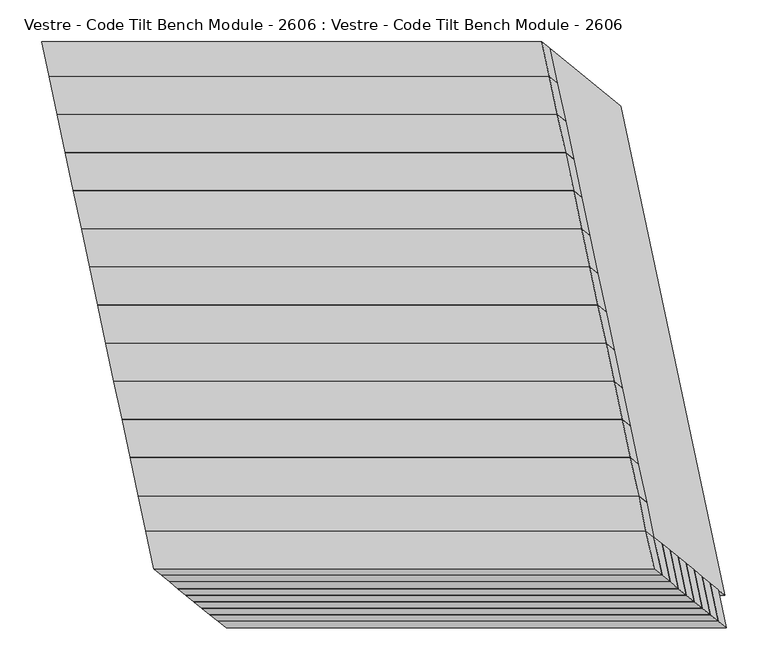
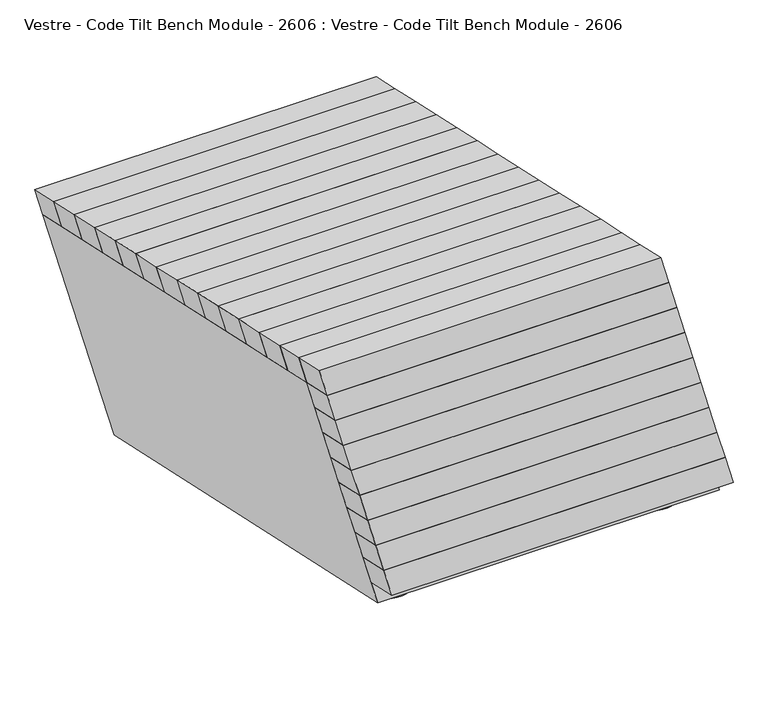
"""IFC4 building model written with IfcOpenShell, lengths in millimetres: furniture geometry, Vestre - Code Tilt Bench Module - 2606 : Vestre - Code Tilt Bench Module - 2606."""

from ifc_helpers import new_model, si_unit, point, frame, frame_2d, origin, origin_with_axes, place, context, project, spatial, circle_curve, trimmed, segment, composite_curve, outline, extrude, faceted_brep, source, transform, mapped, element, save
from ifc_brep_helpers import plane_surface, cylinder_surface, advanced_brep


def vestre_code_tilt_bench_module_2606_vestre_code_tilt_bench_63395cef(model_context):
    return source(origin(), model_context, "Body", "SolidModel", [
        faceted_brep([(-245.4752808, -324.9363487, 104.3431028), (354.5247192, -324.9363487, 104.3431028), (344.7676887, -279.0331292, 104.3431028), (-255.2323113, -279.0331292, 104.3431028), (-235.8338443, -332.8110633, 59.2759155), (-245.5908748, -286.9078438, 59.2759155), (354.4091252, -286.9078438, 59.2759155), (364.1661557, -332.8110633, 59.2759155)], [[[0, 1, 2, 3]], [[4, 5, 6, 7]], [[4, 7, 1, 0]], [[7, 6, 2, 1]], [[6, 5, 3, 2]], [[5, 4, 0, 3]]]),
        faceted_brep([(-255.1167174, -317.0616341, 149.4102901), (344.8832826, -317.0616341, 149.4102901), (335.1262521, -271.1584146, 149.4102901), (-264.8737479, -271.1584146, 149.4102901), (-245.4752808, -324.9363487, 104.3431028), (-255.2323113, -279.0331292, 104.3431028), (344.7676887, -279.0331292, 104.3431028), (354.5247192, -324.9363487, 104.3431028)], [[[0, 1, 2, 3]], [[4, 5, 6, 7]], [[4, 7, 1, 0]], [[7, 6, 2, 1]], [[6, 5, 3, 2]], [[5, 4, 0, 3]]]),
        faceted_brep([(-264.7371007, -309.1869195, 194.4774774), (335.2628993, -309.1869195, 194.4774774), (325.5058687, -263.2836999, 194.4774774), (-274.4941313, -263.2836999, 194.4774774), (-255.0956642, -317.0616341, 149.4102901), (-264.8526947, -271.1584146, 149.4102901), (335.1473053, -271.1584146, 149.4102901), (344.9043358, -317.0616341, 149.4102901)], [[[0, 1, 2, 3]], [[4, 5, 6, 7]], [[4, 7, 1, 0]], [[7, 6, 2, 1]], [[6, 5, 3, 2]], [[5, 4, 0, 3]]]),
        faceted_brep([(-274.3574841, -301.3122048, 239.5446646), (325.6425159, -301.3122048, 239.5446646), (315.8854854, -255.4089853, 239.5446646), (-284.1145146, -255.4089853, 239.5446646), (-264.7160475, -309.1869195, 194.4774774), (-274.473078, -263.2836999, 194.4774774), (325.526922, -263.2836999, 194.4774774), (335.2839525, -309.1869195, 194.4774774)], [[[0, 1, 2, 3]], [[4, 5, 6, 7]], [[4, 7, 1, 0]], [[7, 6, 2, 1]], [[6, 5, 3, 2]], [[5, 4, 0, 3]]]),
        faceted_brep([(-283.9778674, -293.4374902, 284.6118519), (316.0221326, -293.4374902, 284.6118519), (306.2651021, -247.5342707, 284.6118519), (-293.7348979, -247.5342707, 284.6118519), (-274.3364308, -301.3122048, 239.5446646), (-284.0934613, -255.4089853, 239.5446646), (315.9065387, -255.4089853, 239.5446646), (325.6635692, -301.3122048, 239.5446646)], [[[0, 1, 2, 3]], [[4, 5, 6, 7]], [[4, 7, 1, 0]], [[7, 6, 2, 1]], [[6, 5, 3, 2]], [[5, 4, 0, 3]]]),
        faceted_brep([(-293.5982507, -285.5627756, 329.6790392), (306.4017493, -285.5627756, 329.6790392), (296.6447188, -239.6595561, 329.6790392), (-303.3552812, -239.6595561, 329.6790392), (-283.9568141, -293.4374902, 284.6118519), (-293.7138447, -247.5342707, 284.6118519), (306.2861553, -247.5342707, 284.6118519), (316.0431859, -293.4374902, 284.6118519)], [[[0, 1, 2, 3]], [[4, 5, 6, 7]], [[4, 7, 1, 0]], [[7, 6, 2, 1]], [[6, 5, 3, 2]], [[5, 4, 0, 3]]]),
        faceted_brep([(-303.1765275, -277.688061, 374.7462265), (296.8234725, -277.688061, 374.7462265), (287.0664419, -231.7848414, 374.7462265), (-312.9335581, -231.7848414, 374.7462265), (-293.535091, -285.5627756, 329.6790392), (-303.2921215, -239.6595561, 329.6790392), (296.7078785, -239.6595561, 329.6790392), (306.464909, -285.5627756, 329.6790392)], [[[0, 1, 2, 3]], [[4, 5, 6, 7]], [[4, 7, 1, 0]], [[7, 6, 2, 1]], [[6, 5, 3, 2]], [[5, 4, 0, 3]]]),
        faceted_brep([(-312.8179641, -269.8133464, 419.8134138), (287.1820359, -269.8133464, 419.8134138), (277.4250054, -223.9101268, 419.8134138), (-322.5749946, -223.9101268, 419.8134138), (-303.1765275, -277.688061, 374.7462265), (-312.9335581, -231.7848414, 374.7462265), (287.0664419, -231.7848414, 374.7462265), (296.8234725, -277.688061, 374.7462265)], [[[0, 1, 2, 3]], [[4, 5, 6, 7]], [[4, 7, 1, 0]], [[7, 6, 2, 1]], [[6, 5, 3, 2]], [[5, 4, 0, 3]]]),
        faceted_brep([(-341.1105248, -174.1919917, 465.0), (258.8894752, -174.1919917, 465.0), (249.1652085, -128.4429141, 465.0), (-350.8347915, -128.4429141, 465.0), (-331.4646537, -182.0875693, 419.8134138), (-341.1889203, -136.3384916, 419.8134138), (258.8110797, -136.3384916, 419.8134138), (268.5353463, -182.0875693, 419.8134138)], [[[0, 1, 2, 3]], [[4, 5, 6, 7]], [[4, 7, 1, 0]], [[7, 6, 2, 1]], [[6, 5, 3, 2]], [[5, 4, 0, 3]]]),
        faceted_brep([(-350.8347915, -128.4429141, 465.0), (249.1652085, -128.4429141, 465.0), (239.4409419, -82.6938364, 465.0), (-360.5590581, -82.6938364, 465.0), (-341.1889203, -136.3384916, 419.8134138), (-350.913187, -90.5894139, 419.8134138), (249.086813, -90.5894139, 419.8134138), (258.8110797, -136.3384916, 419.8134138)], [[[0, 1, 2, 3]], [[4, 5, 6, 7]], [[4, 7, 1, 0]], [[7, 6, 2, 1]], [[6, 5, 3, 2]], [[5, 4, 0, 3]]]),
        faceted_brep([(-360.5590581, -82.6938364, 465.0), (239.4409419, -82.6938364, 465.0), (229.7166753, -36.9447587, 465.0), (-370.2833247, -36.9447587, 465.0), (-350.913187, -90.5894139, 419.8134138), (-360.6374536, -44.8403363, 419.8134138), (239.3625464, -44.8403363, 419.8134138), (249.086813, -90.5894139, 419.8134138)], [[[0, 1, 2, 3]], [[4, 5, 6, 7]], [[4, 7, 1, 0]], [[7, 6, 2, 1]], [[6, 5, 3, 2]], [[5, 4, 0, 3]]]),
        faceted_brep([(-370.2833247, -36.9447587, 465.0), (229.7166753, -36.9447587, 465.0), (219.9924086, 8.8043189, 465.0), (-380.0075914, 8.8043189, 465.0), (-360.6374536, -44.8403363, 419.8134138), (-370.3617203, 0.9087414, 419.8134138), (229.6382797, 0.9087414, 419.8134138), (239.3625464, -44.8403363, 419.8134138)], [[[0, 1, 2, 3]], [[4, 5, 6, 7]], [[4, 7, 1, 0]], [[7, 6, 2, 1]], [[6, 5, 3, 2]], [[5, 4, 0, 3]]]),
        faceted_brep([(-380.0075914, 8.8043189, 465.0), (219.9924086, 8.8043189, 465.0), (210.268142, 54.5533966, 465.0), (-389.731858, 54.5533966, 465.0), (-370.3617203, 0.9087414, 419.8134138), (-380.0859869, 46.657819, 419.8134138), (219.9140131, 46.657819, 419.8134138), (229.6382797, 0.9087414, 419.8134138)], [[[0, 1, 2, 3]], [[4, 5, 6, 7]], [[4, 7, 1, 0]], [[7, 6, 2, 1]], [[6, 5, 3, 2]], [[5, 4, 0, 3]]]),
        faceted_brep([(-389.731858, 54.5533966, 465.0), (210.268142, 54.5533966, 465.0), (200.5438753, 100.3024742, 465.0), (-399.4561247, 100.3024742, 465.0), (-380.0859869, 46.657819, 419.8134138), (-389.8102536, 92.4068967, 419.8134138), (210.1897464, 92.4068967, 419.8134138), (219.9140131, 46.657819, 419.8134138)], [[[0, 1, 2, 3]], [[4, 5, 6, 7]], [[4, 7, 1, 0]], [[7, 6, 2, 1]], [[6, 5, 3, 2]], [[5, 4, 0, 3]]]),
        faceted_brep([(-399.4561247, 100.3024742, 465.0), (200.5438753, 100.3024742, 465.0), (190.8196087, 146.0515519, 465.0), (-409.1803913, 146.0515519, 465.0), (-389.8102536, 92.4068967, 419.8134138), (-399.5345202, 138.1559744, 419.8134138), (200.4654798, 138.1559744, 419.8134138), (210.1897464, 92.4068967, 419.8134138)], [[[0, 1, 2, 3]], [[4, 5, 6, 7]], [[4, 7, 1, 0]], [[7, 6, 2, 1]], [[6, 5, 3, 2]], [[5, 4, 0, 3]]]),
        faceted_brep([(-409.1803913, 146.0515519, 465.0), (190.8196087, 146.0515519, 465.0), (181.095342, 191.8006296, 465.0), (-418.904658, 191.8006296, 465.0), (-399.5345202, 138.1559744, 419.8134138), (-409.2587869, 183.905052, 419.8134138), (190.7412131, 183.905052, 419.8134138), (200.4654798, 138.1559744, 419.8134138)], [[[0, 1, 2, 3]], [[4, 5, 6, 7]], [[4, 7, 1, 0]], [[7, 6, 2, 1]], [[6, 5, 3, 2]], [[5, 4, 0, 3]]]),
        faceted_brep([(-418.904658, 191.8006296, 465.0), (181.095342, 191.8006296, 465.0), (171.3710754, 237.5497072, 465.0), (-428.6289246, 237.5497072, 465.0), (-409.2587869, 183.905052, 419.8134138), (-418.9830535, 229.6541297, 419.8134138), (181.0169465, 229.6541297, 419.8134138), (190.7412131, 183.905052, 419.8134138)], [[[0, 1, 2, 3]], [[4, 5, 6, 7]], [[4, 7, 1, 0]], [[7, 6, 2, 1]], [[6, 5, 3, 2]], [[5, 4, 0, 3]]]),
        faceted_brep([(-428.6289246, 237.5497072, 465.0), (171.3710754, 237.5497072, 465.0), (161.6468087, 283.2987849, 465.0), (-438.3531913, 283.2987849, 465.0), (-418.9830535, 229.6541297, 419.8134138), (-428.7073201, 275.4032074, 419.8134138), (171.2926799, 275.4032074, 419.8134138), (181.0169465, 229.6541297, 419.8134138)], [[[0, 1, 2, 3]], [[4, 5, 6, 7]], [[4, 7, 1, 0]], [[7, 6, 2, 1]], [[6, 5, 3, 2]], [[5, 4, 0, 3]]]),
        faceted_brep([(-438.3531913, 283.2987849, 465.0), (161.6468087, 283.2987849, 465.0), (151.9225421, 329.0478626, 465.0), (-448.0774579, 329.0478626, 465.0), (-428.7073201, 275.4032074, 419.8134138), (-438.4315868, 321.152285, 419.8134138), (161.5684132, 321.152285, 419.8134138), (171.2926799, 275.4032074, 419.8134138)], [[[0, 1, 2, 3]], [[4, 5, 6, 7]], [[4, 7, 1, 0]], [[7, 6, 2, 1]], [[6, 5, 3, 2]], [[5, 4, 0, 3]]]),
        faceted_brep([(-448.0774579, 329.0478626, 465.0), (151.9225421, 329.0478626, 465.0), (143.0321197, 370.8740111, 465.0), (-456.9678803, 370.8740111, 465.0), (-438.4315868, 321.152285, 419.8134138), (-447.3220091, 362.9784336, 419.8134138), (152.6779909, 362.9784336, 419.8134138), (161.5684132, 321.152285, 419.8134138)], [[[0, 1, 2, 3]], [[4, 5, 6, 7]], [[4, 7, 1, 0]], [[7, 6, 2, 1]], [[6, 5, 3, 2]], [[5, 4, 0, 3]]]),
        faceted_brep([(-332.2201025, -216.0181403, 465.0), (267.7798975, -216.0181403, 465.0), (258.8894752, -174.1919917, 465.0), (-341.1105248, -174.1919917, 465.0), (-322.5749946, -223.9101268, 419.8134138), (-331.4646537, -182.0875693, 419.8134138), (268.5353463, -182.0875693, 419.8134138), (277.4250054, -223.9101268, 419.8134138)], [[[0, 1, 2, 3]], [[4, 5, 6, 7]], [[4, 7, 1, 0]], [[7, 6, 2, 1]], [[6, 5, 3, 2]], [[5, 4, 0, 3]]]),
        faceted_brep([(-322.4638353, -261.9177688, 465.0), (277.5361647, -261.9177688, 465.0), (267.7798975, -216.0181403, 465.0), (-332.2201025, -216.0181403, 465.0), (-312.8179641, -269.8133464, 419.8134138), (-322.5749946, -223.9101268, 419.8134138), (277.4250054, -223.9101268, 419.8134138), (287.1820359, -269.8133464, 419.8134138)], [[[0, 1, 2, 3]], [[4, 5, 6, 7]], [[4, 7, 1, 0]], [[7, 6, 2, 1]], [[6, 5, 3, 2]], [[5, 4, 0, 3]]]),
        extrude(outline(composite_curve([segment(trimmed(circle_curve(frame_2d((-282.0328456, 228.5027868)), 5.0), [point((-287.0328456, 228.5027868))], [point((-277.0328456, 228.5027868))], False, "CARTESIAN"), True, "CONTINUOUS"), segment(trimmed(circle_curve(frame_2d((-282.0328456, 228.5027868)), 5.0), [point((-277.0328456, 228.5027868))], [point((-287.0328456, 228.5027868))], False, "CARTESIAN"), True, "CONTINUOUS")], self_intersect=False)), frame((0.0, 0.0, 5.0), z_axis=(0.0, 0.0, 1.0), x_axis=(1.0, 0.0, 0.0)), (0.0, 0.0, 1.0), 19.928755),
        extrude(outline(composite_curve([segment(trimmed(circle_curve(frame_2d((-281.9772057, 228.2596966)), 40.0), [point((-321.9772057, 228.2596966))], [point((-241.9772057, 228.2596966))], False, "CARTESIAN"), True, "CONTINUOUS"), segment(trimmed(circle_curve(frame_2d((-281.9772057, 228.2596966)), 40.0), [point((-241.9772057, 228.2596966))], [point((-321.9772057, 228.2596966))], False, "CARTESIAN"), True, "CONTINUOUS")], self_intersect=False)), origin_with_axes(), (0.0, 0.0, 1.0), 5.0),
        extrude(outline(composite_curve([segment(trimmed(circle_curve(frame_2d((184.9661106, 228.5027868)), 5.0), [point((179.9661106, 228.5027868))], [point((189.9661106, 228.5027868))], False, "CARTESIAN"), True, "CONTINUOUS"), segment(trimmed(circle_curve(frame_2d((184.9661106, 228.5027868)), 5.0), [point((189.9661106, 228.5027868))], [point((179.9661106, 228.5027868))], False, "CARTESIAN"), True, "CONTINUOUS")], self_intersect=False)), frame((0.0, 0.0, 5.0), z_axis=(0.0, 0.0, 1.0), x_axis=(1.0, 0.0, 0.0)), (0.0, 0.0, 1.0), 19.928755),
        extrude(outline(composite_curve([segment(trimmed(circle_curve(frame_2d((185.0217505, 228.2596966)), 40.0), [point((145.0217505, 228.2596966))], [point((225.0217505, 228.2596966))], False, "CARTESIAN"), True, "CONTINUOUS"), segment(trimmed(circle_curve(frame_2d((185.0217505, 228.2596966)), 40.0), [point((225.0217505, 228.2596966))], [point((145.0217505, 228.2596966))], False, "CARTESIAN"), True, "CONTINUOUS")], self_intersect=False)), origin_with_axes(), (0.0, 0.0, 1.0), 5.0),
        extrude(outline(composite_curve([segment(trimmed(circle_curve(frame_2d((282.1707135, -228.4385142)), 5.0), [point((277.1707135, -228.4385142))], [point((287.1707135, -228.4385142))], False, "CARTESIAN"), True, "CONTINUOUS"), segment(trimmed(circle_curve(frame_2d((282.1707135, -228.4385142)), 5.0), [point((287.1707135, -228.4385142))], [point((277.1707135, -228.4385142))], False, "CARTESIAN"), True, "CONTINUOUS")], self_intersect=False)), frame((0.0, 0.0, 5.0), z_axis=(0.0, 0.0, 1.0), x_axis=(1.0, 0.0, 0.0)), (0.0, 0.0, 1.0), 19.928755),
        extrude(outline(composite_curve([segment(trimmed(circle_curve(frame_2d((282.2263535, -228.6816045)), 40.0), [point((242.2263535, -228.6816045))], [point((322.2263535, -228.6816045))], False, "CARTESIAN"), True, "CONTINUOUS"), segment(trimmed(circle_curve(frame_2d((282.2263535, -228.6816045)), 40.0), [point((322.2263535, -228.6816045))], [point((242.2263535, -228.6816045))], False, "CARTESIAN"), True, "CONTINUOUS")], self_intersect=False)), origin_with_axes(), (0.0, 0.0, 1.0), 5.0),
        advanced_brep(
        [(-189.8930564, -228.4385142, 24.928755), (-179.8930564, -228.4385142, 24.928755), (-189.8930564, -228.4385142, 5.0), (-179.8930564, -228.4385142, 5.0), (-224.8374164, -228.6816045, 5.0), (-144.8374164, -228.6816045, 5.0), (-224.8374164, -228.6816045, 0.0), (-144.8374164, -228.6816045, 0.0)],
        [
            (0, 1, circle_curve(frame((-184.8930564, -228.4385142, 24.928755), z_axis=(0.0, 0.0, 1.0), x_axis=(1.0, 0.0, 0.0)), 5.0)),
            (1, 0, circle_curve(frame((-184.8930564, -228.4385142, 24.928755), z_axis=(0.0, 0.0, 1.0), x_axis=(1.0, 0.0, 0.0)), 5.0)),
            (0, 2),
            (2, 3, circle_curve(frame((-184.8930564, -228.4385142, 5.0), z_axis=(0.0, 0.0, 1.0), x_axis=(1.0, 0.0, 0.0)), 5.0)),
            (3, 1),
            (3, 2, circle_curve(frame((-184.8930564, -228.4385142, 5.0), z_axis=(0.0, 0.0, 1.0), x_axis=(1.0, 0.0, 0.0)), 5.0)),
            (4, 5, circle_curve(frame((-184.8374164, -228.6816045, 5.0), z_axis=(0.0, 0.0, 1.0), x_axis=(1.0, 0.0, 0.0)), 40.0)),
            (5, 4, circle_curve(frame((-184.8374164, -228.6816045, 5.0), z_axis=(0.0, 0.0, 1.0), x_axis=(1.0, 0.0, 0.0)), 40.0)),
            (6, 7, circle_curve(frame((-184.8374164, -228.6816045, 0.0), z_axis=(0.0, 0.0, -1.0), x_axis=(1.0, 0.0, 0.0)), 40.0)),
            (7, 6, circle_curve(frame((-184.8374164, -228.6816045, 0.0), z_axis=(0.0, 0.0, -1.0), x_axis=(1.0, 0.0, 0.0)), 40.0)),
            (4, 6),
            (7, 5),
        ],
        [
            plane_surface(frame((-179.8930564, -228.4385142, 24.928755), z_axis=(0.0, 0.0, 1.0), x_axis=(0.0, 1.0, 0.0))),
            cylinder_surface(frame((-184.8930564, -228.4385142, 5.0), z_axis=(0.0, 0.0, 1.0), x_axis=(1.0, 0.0, 0.0)), 5.0),
            plane_surface(frame((-144.8374164, -228.6816045, 5.0), z_axis=(0.0, 0.0, 1.0), x_axis=(0.0, 1.0, 0.0))),
            plane_surface(frame((-144.8374164, -228.6816045, 0.0), z_axis=(0.0, 0.0, -1.0), x_axis=(0.0, -1.0, 0.0))),
            cylinder_surface(frame((-184.8374164, -228.6816045, 0.0), z_axis=(0.0, 0.0, 1.0), x_axis=(1.0, 0.0, 0.0)), 40.0),
        ],
        [
            (0, [[1, 2]]),
            (1, [[-1, 3, 4, 5]]),
            (1, [[-2, -5, 6, -3]]),
            (2, [[7, 8], [-4, -6]]),
            (3, [[9, 10]]),
            (4, [[-7, 11, -10, 12]]),
            (4, [[-8, -12, -9, -11]]),
        ],
    ),
        faceted_brep([(152.6779909, 362.9784336, 419.8134138), (-447.3220091, 362.9784336, 419.8134138), (-322.5749946, -223.9101268, 419.8134138), (277.4250054, -223.9101268, 419.8134138), (-384.6614061, 312.2208839, 419.8134138), (111.5950883, 312.2208839, 419.8134138), (217.200313, -184.6126361, 419.8134138), (-279.0561813, -184.6126361, 419.8134138), (237.6264928, 293.4442802, 21.8677277), (362.3735072, -293.4442802, 21.8677277), (-237.6264928, -293.4442802, 21.8677277), (-362.3735072, 293.4442802, 21.8677277), (196.5435902, 242.6867305, 21.8677277), (-299.7129042, 242.6867305, 21.8677277), (-196.1503245, -244.5369002, 21.8677277), (300.1061699, -244.5369002, 21.8677277), (-269.0294196, -231.7848414, 374.7462265), (237.0291749, -231.7848414, 374.7462265), (308.6447246, -284.7076416, 71.8677277), (-197.4138699, -284.7076416, 71.8677277), (-381.1121334, 309.3156453, 403.1866612), (115.1443609, 309.3156453, 403.1866612), (192.4591078, 246.0300623, 41.0016985), (-303.7973866, 246.0300623, 41.0016985), (-275.5922534, -187.1163595, 403.1866612), (-200.1365927, -241.6556298, 41.0016985), (220.664241, -187.1163595, 403.1866612), (296.1199017, -241.6556298, 41.0016985), (127.6313712, 332.9707916, 403.1866612), (243.4746973, -212.0292084, 403.1866612), (-298.365818, -212.0292084, 403.1866612), (-414.2091441, 332.9707916, 403.1866612), (225.4868228, 272.8781405, 41.0016985), (-343.6743593, 272.8781405, 41.0016985), (-228.3217228, -269.8133464, 41.0016985), (340.8394593, -269.8133464, 41.0016985), (233.794456, -216.5666856, 374.7462265), (-272.2641384, -216.5666856, 374.7462265), (-201.6264773, -264.8888821, 71.8677277), (304.4321172, -264.8888821, 71.8677277)], [[[0, 1, 2, 3], [4, 5, 6, 7]], [[8, 9, 10, 11], [12, 13, 14, 15]], [[1, 0, 8, 11]], [[2, 1, 11, 10]], [[3, 2, 10, 9], [16, 17, 18, 19]], [[0, 3, 9, 8]], [[5, 4, 20, 21]], [[13, 12, 22, 23]], [[4, 7, 24, 20]], [[14, 13, 23, 25]], [[7, 6, 26, 24]], [[15, 14, 25, 27]], [[6, 5, 21, 26]], [[12, 15, 27, 22]], [[28, 29, 30, 31], [21, 20, 24, 26]], [[32, 33, 34, 35], [23, 22, 27, 25]], [[28, 31, 33, 32]], [[31, 30, 34, 33]], [[30, 29, 35, 34], [36, 37, 38, 39]], [[29, 28, 32, 35]], [[16, 37, 36, 17]], [[38, 19, 18, 39]], [[37, 16, 19, 38]], [[17, 36, 39, 18]]]),
    ])


if __name__ == "__main__":
    model = new_model("IFC4")
    model_context = context("Model", 3, world=origin())
    ifc_project = project(units=[si_unit("LENGTHUNIT", "METRE", prefix="MILLI")], contexts=[model_context])
    site = spatial("IfcSite", under=ifc_project)
    building = spatial("IfcBuilding", under=site)
    placement = place(None, origin())
    vestre_code_tilt_bench_module_2606_vestre_code_tilt_bench_shape = vestre_code_tilt_bench_module_2606_vestre_code_tilt_bench_63395cef(model_context)
    element("IfcFurniture", 1, ObjectType="Vestre - Code Tilt Bench Module - 2606 : Vestre - Code Tilt Bench Module - 2606", at=placement, inside=building, context=model_context, shape_type="MappedRepresentation", body=[
        mapped(vestre_code_tilt_bench_module_2606_vestre_code_tilt_bench_shape, transform((0.0, 0.0, 0.0), x_axis=(1.0, 0.0, 0.0), y_axis=(0.0, 1.0, 0.0), z_axis=(0.0, 0.0, 1.0))),
    ])
    save(model, "model.ifc")
